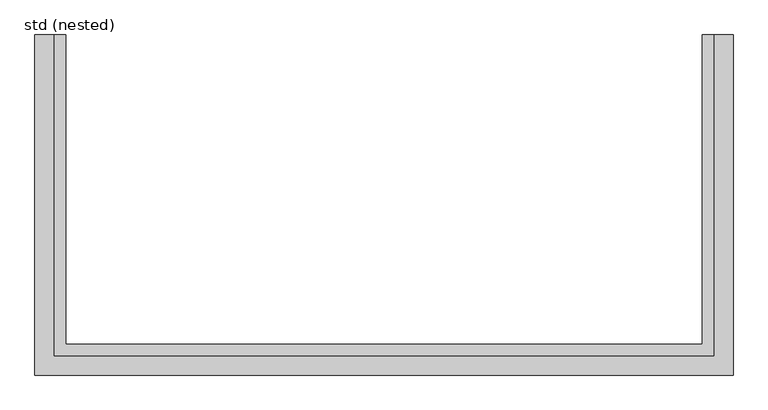
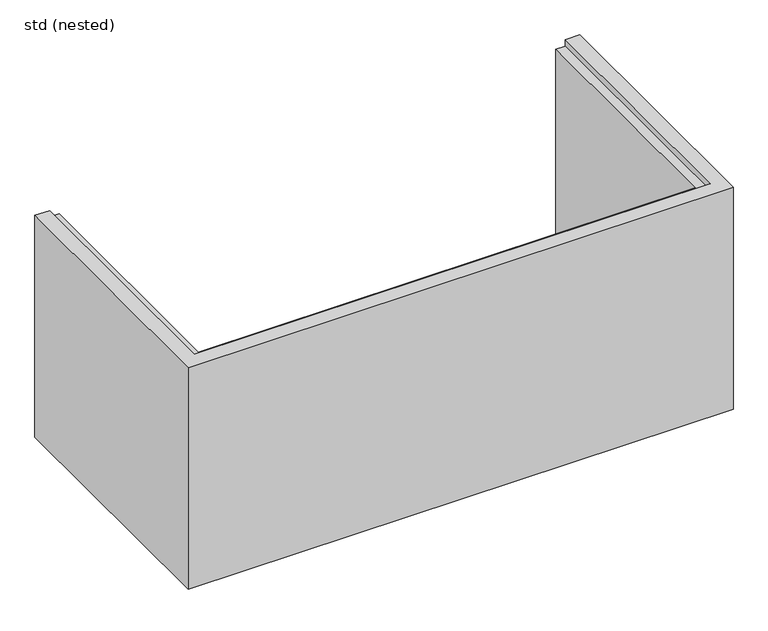
"""IFC4 building model written with IfcOpenShell, lengths in millimetres: proxy geometry, std (nested)."""

from ifc_helpers import new_model, si_unit, origin, place, context, project, spatial, faceted_brep, source, transform, mapped, element, save


def std_nested_d194d058(model_context):
    return source(origin(), model_context, "Body", "Brep", [
        faceted_brep([(-1068.5, 0.0, 28.0), (-1129.0, 0.0, 28.0), (-1129.0, 0.0, 1000.0), (-1068.5, 0.0, 1000.0), (-1068.5, 0.0, 972.0), (-1029.0, 0.0, 972.0), (-1029.0, 0.0, 0.0), (-1068.5, 0.0, 0.0), (-1068.5, -1039.5, 28.0), (1068.5, -1039.5, 28.0), (1068.5, 0.0, 28.0), (1129.0, 0.0, 28.0), (1129.0, -1100.0, 28.0), (-1129.0, -1100.0, 28.0), (-1129.0, -1100.0, 1000.0), (1129.0, -1100.0, 1000.0), (1129.0, 0.0, 1000.0), (1068.5, 0.0, 1000.0), (1068.5, -1039.5, 1000.0), (-1068.5, -1039.5, 1000.0), (-1068.5, -1039.5, 972.0), (1068.5, -1039.5, 972.0), (1068.5, 0.0, 972.0), (1029.0, 0.0, 972.0), (1029.0, -1000.0, 972.0), (-1029.0, -1000.0, 972.0), (-1029.0, -1000.0, 0.0), (1029.0, -1000.0, 0.0), (1068.5, 0.0, 0.0), (1029.0, 0.0, 0.0), (1068.5, -1039.5, 0.0), (-1068.5, -1039.5, 0.0)], [[[0, 1, 2, 3, 4, 5, 6, 7]], [[1, 0, 8, 9, 10, 11, 12, 13]], [[2, 1, 13, 14]], [[3, 2, 14, 15, 16, 17, 18, 19]], [[4, 3, 19, 20]], [[5, 4, 20, 21, 22, 23, 24, 25]], [[6, 5, 25, 26]], [[14, 13, 12, 15]], [[20, 19, 18, 21]], [[26, 25, 24, 27]], [[10, 28, 29, 23, 22, 17, 16, 11]], [[15, 12, 11, 16]], [[21, 18, 17, 22]], [[27, 24, 23, 29]], [[7, 6, 26, 27, 29, 28, 30, 31]], [[0, 7, 31, 8]], [[8, 31, 30, 9]], [[9, 30, 28, 10]]]),
    ])


if __name__ == "__main__":
    model = new_model("IFC4")
    model_context = context("Model", 3, world=origin())
    ifc_project = project(units=[si_unit("LENGTHUNIT", "METRE", prefix="MILLI")], contexts=[model_context])
    site = spatial("IfcSite", under=ifc_project)
    building = spatial("IfcBuilding", under=site)
    placement = place(None, origin())
    std_nested_shape = std_nested_d194d058(model_context)
    element("IfcBuildingElementProxy", 1, Name="std (nested)", ObjectType="std (nested)", at=placement, inside=building, context=model_context, shape_type="MappedRepresentation", body=[
        mapped(std_nested_shape, transform((0.0, 0.0, 0.0), x_axis=(1.0, 0.0, 0.0), y_axis=(0.0, 1.0, 0.0), z_axis=(0.0, 0.0, 1.0))),
    ])
    save(model, "model.ifc")
